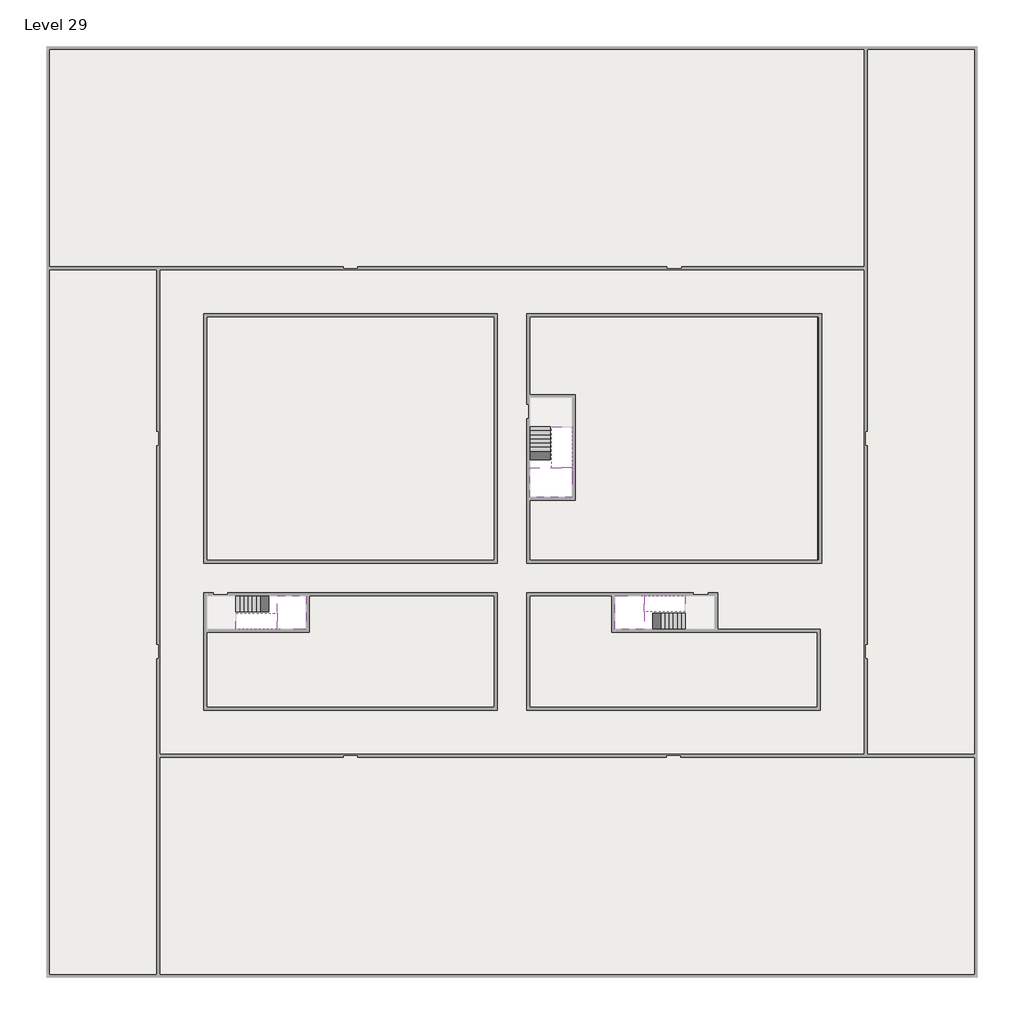
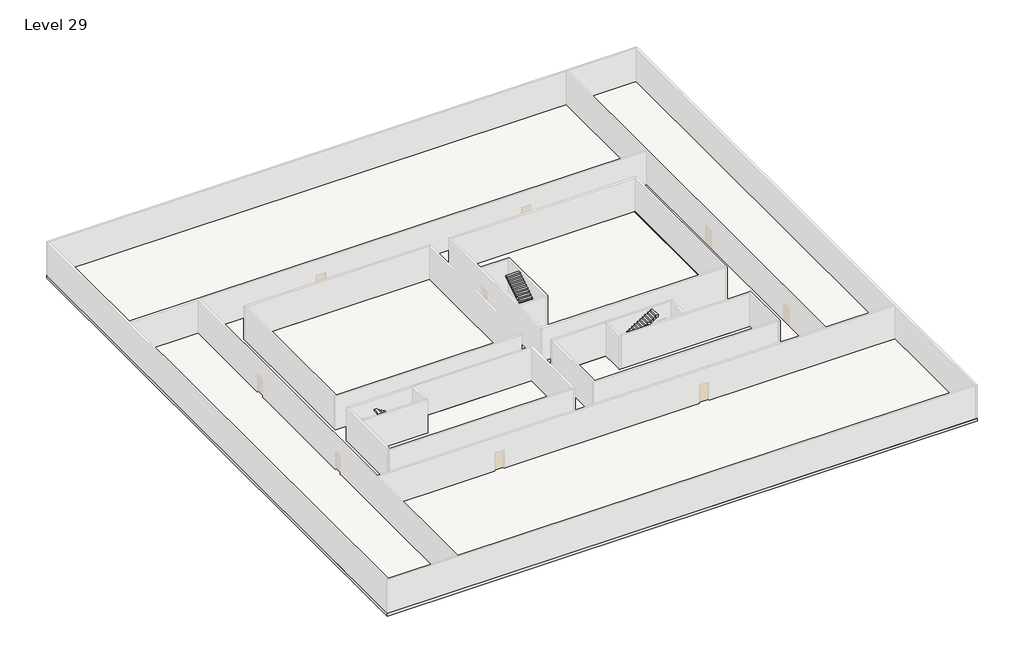
# One storey, part 2 of 2: 6 stair flights, 5 slabs.
"""IFC4 building model written with IfcOpenShell, lengths in millimetres."""

from ifc_helpers import new_model, si_unit, frame, origin, place, context, project, spatial, polyline, outline, extrude, faceted_brep, element, save

model = new_model("IFC4")

# Units and contexts
model_context = context("Model", 3, world=origin())
ifc_project = project(units=[si_unit("LENGTHUNIT", "METRE", prefix="MILLI")], contexts=[model_context])

# Site, building, storey
site = spatial("IfcSite", under=ifc_project)
building = spatial("IfcBuilding", under=site)
storey = spatial("IfcBuildingStorey", under=building, Name="Level 29", Elevation=106400.0)

# Slabs
placement = place(None, origin())
element("IfcSlab", 1, at=placement, inside=storey, context=model_context, shape_type="Brep", body=[
    faceted_brep([(8190.1058784, -42918.09644, 108300.0), (8190.1058784, -44018.09644, 108300.0), (8190.1058784, -44118.09644, 108300.0), (8190.1058784, -45218.09644, 108300.0), (8390.7194421, -45218.09644, 108300.0), (10190.1058784, -45218.09644, 108300.0), (10190.1058784, -42918.09644, 108300.0), (8269.4923146, -42918.09644, 108300.0), (8190.1058784, -42918.09644, 108127.2727273), (8190.1058784, -42918.09644, 107951.0278478), (8190.1058784, -44018.09644, 107951.0278478), (8190.1058784, -44018.09644, 108000.0), (8190.1058784, -44118.09644, 108000.0), (8190.1058784, -44118.09644, 108123.7551205), (8190.1058784, -45218.09644, 108123.7551205), (8390.7194421, -45218.09644, 108000.0), (10190.1058784, -45218.09644, 108000.0), (10190.1058784, -42918.09644, 108000.0), (8269.4923146, -42918.09644, 108000.0), (8390.7194421, -44118.09644, 108000.0), (8269.4923146, -44018.09644, 108000.0)], [[[0, 1, 2, 3, 4, 5, 6, 7]], [[1, 0, 8, 9, 10, 11]], [[2, 1, 11, 12, 13]], [[3, 2, 13, 14]], [[3, 14, 15, 16, 5, 4]], [[6, 5, 16, 17]], [[9, 8, 0, 7, 6, 17, 18]], [[19, 12, 11, 20, 18, 17, 16, 15]], [[12, 19, 13]], [[18, 20, 10, 9]], [[20, 11, 10]], [[19, 15, 14, 13]]]),
])
element("IfcSlab", 2, at=placement, inside=storey, context=model_context, shape_type="Brep", body=[
    faceted_brep([(33190.1058784, -45218.09644, 108300.0), (33190.1058784, -44118.09644, 108300.0), (33190.1058784, -44018.09644, 108300.0), (33190.1058784, -42918.09644, 108300.0), (32989.4923146, -42918.09644, 108300.0), (31190.1058784, -42918.09644, 108300.0), (31190.1058784, -45218.09644, 108300.0), (33110.7194421, -45218.09644, 108300.0), (33190.1058784, -45218.09644, 108127.2727273), (33190.1058784, -45218.09644, 107951.0278478), (33190.1058784, -44118.09644, 107951.0278478), (33190.1058784, -44118.09644, 108000.0), (33190.1058784, -44018.09644, 108000.0), (33190.1058784, -44018.09644, 108123.7551205), (33190.1058784, -42918.09644, 108123.7551205), (32989.4923146, -42918.09644, 108000.0), (31190.1058784, -42918.09644, 108000.0), (31190.1058784, -45218.09644, 108000.0), (33110.7194421, -45218.09644, 108000.0), (32989.4923146, -44018.09644, 108000.0), (33110.7194421, -44118.09644, 108000.0)], [[[0, 1, 2, 3, 4, 5, 6, 7]], [[1, 0, 8, 9, 10, 11]], [[2, 1, 11, 12, 13]], [[3, 2, 13, 14]], [[3, 14, 15, 16, 5, 4]], [[6, 5, 16, 17]], [[9, 8, 0, 7, 6, 17, 18]], [[19, 12, 11, 20, 18, 17, 16, 15]], [[12, 19, 13]], [[18, 20, 10, 9]], [[20, 11, 10]], [[19, 15, 14, 13]]]),
])
element("IfcSlab", 3, at=placement, inside=storey, context=model_context, shape_type="Brep", body=[
    faceted_brep([(26790.1058784, -34218.09644, 108300.0), (25390.1058784, -34218.09644, 108300.0), (25390.1058784, -34297.4828763, 108300.0), (25390.1058784, -36218.09644, 108300.0), (28290.1058784, -36218.09644, 108300.0), (28290.1058784, -34418.7100038, 108300.0), (28290.1058784, -34218.09644, 108300.0), (26890.1058784, -34218.09644, 108300.0), (26790.1058784, -34218.09644, 108000.0), (26790.1058784, -34218.09644, 107951.0278478), (25390.1058784, -34218.09644, 107951.0278478), (25390.1058784, -34218.09644, 108127.2727273), (25390.1058784, -34297.4828763, 108000.0), (25390.1058784, -36218.09644, 108000.0), (28290.1058784, -36218.09644, 108000.0), (28290.1058784, -34418.7100038, 108000.0), (28290.1058784, -34218.09644, 108123.7551205), (26890.1058784, -34218.09644, 108123.7551205), (26890.1058784, -34218.09644, 108000.0), (26890.1058784, -34418.7100038, 108000.0), (26790.1058784, -34297.4828763, 108000.0)], [[[0, 1, 2, 3, 4, 5, 6, 7]], [[1, 0, 8, 9, 10, 11]], [[1, 11, 10, 12, 13, 3, 2]], [[4, 3, 13, 14]], [[4, 14, 15, 16, 6, 5]], [[7, 6, 16, 17]], [[0, 7, 17, 18, 8]], [[18, 19, 15, 14, 13, 12, 20, 8]], [[19, 18, 17]], [[20, 12, 10, 9]], [[8, 20, 9]], [[15, 19, 17, 16]]]),
])
element("IfcSlab", 4, at=placement, inside=storey, context=model_context, shape_type="SweptSolid", body=[
    extrude(outline(polyline([(55890.1058784, -5518.09644), (55890.1058784, -68918.09644), (-7509.8941216, -68918.09644), (-7509.8941216, -5518.09644), (55890.1058784, -5518.09644)]), holes=[polyline([(22990.1058784, -23918.09644), (3390.1058784, -23918.09644), (3390.1058784, -40518.09644), (22990.1058784, -40518.09644), (22990.1058784, -23918.09644)]), polyline([(44990.1058784, -23918.09644), (25390.1058784, -23918.09644), (25390.1058784, -40518.09644), (44990.1058784, -40518.09644), (44990.1058784, -23918.09644)]), polyline([(37990.1058784, -42918.09644), (25390.1058784, -42918.09644), (25390.1058784, -50518.09644), (44990.1058784, -50518.09644), (44990.1058784, -45418.09644), (37990.1058784, -45418.09644), (37990.1058784, -42918.09644)]), polyline([(22990.1058784, -42918.09644), (3390.1058784, -42918.09644), (3390.1058784, -50518.09644), (22990.1058784, -50518.09644), (22990.1058784, -42918.09644)])]), frame((0.0, 0.0, 106100.0), z_axis=(0.0, 0.0, 1.0), x_axis=(1.0, 0.0, 0.0)), (0.0, 0.0, 1.0), 300.0),
])
element("IfcSlab", 5, at=placement, inside=storey, context=model_context, shape_type="SweptSolid", body=[
    extrude(outline(polyline([(22990.1058784, -23918.09644), (22990.1058784, -40518.09644), (3390.1058784, -40518.09644), (3390.1058784, -23918.09644), (22990.1058784, -23918.09644)])), frame((0.0, 0.0, 106100.0), z_axis=(0.0, 0.0, 1.0), x_axis=(1.0, 0.0, 0.0)), (0.0, 0.0, 1.0), 300.0),
    extrude(outline(polyline([(44990.1058784, -23918.09644), (44990.1058784, -40518.09644), (25390.1058784, -40518.09644), (25390.1058784, -36418.09644), (28490.1058784, -36418.09644), (28490.1058784, -29218.09644), (25390.1058784, -29218.09644), (25390.1058784, -23918.09644), (44990.1058784, -23918.09644)])), frame((0.0, 0.0, 106100.0), z_axis=(0.0, 0.0, 1.0), x_axis=(1.0, 0.0, 0.0)), (0.0, 0.0, 1.0), 300.0),
    extrude(outline(polyline([(22990.1058784, -42918.09644), (22990.1058784, -50518.09644), (3390.1058784, -50518.09644), (3390.1058784, -45418.09644), (10390.1058784, -45418.09644), (10390.1058784, -42918.09644), (22990.1058784, -42918.09644)])), frame((0.0, 0.0, 106100.0), z_axis=(0.0, 0.0, 1.0), x_axis=(1.0, 0.0, 0.0)), (0.0, 0.0, 1.0), 300.0),
    extrude(outline(polyline([(30990.1058784, -42918.09644), (30990.1058784, -45418.09644), (44990.1058784, -45418.09644), (44990.1058784, -50518.09644), (25390.1058784, -50518.09644), (25390.1058784, -42918.09644), (30990.1058784, -42918.09644)])), frame((0.0, 0.0, 106100.0), z_axis=(0.0, 0.0, 1.0), x_axis=(1.0, 0.0, 0.0)), (0.0, 0.0, 1.0), 300.0),
])

# Stair flights
element("IfcStairFlight", 6, at=placement, inside=storey, context=model_context, shape_type="Brep", body=[
    faceted_brep([(5670.1058784, -42918.09644, 106572.7272727), (5390.1058784, -42918.09644, 106572.7272727), (5390.1058784, -44018.09644, 106572.7272727), (5670.1058784, -44018.09644, 106572.7272727), (5670.1058784, -42918.09644, 106400.0), (5390.1058784, -42918.09644, 106400.0), (5390.1058784, -44018.09644, 106400.0), (5670.1058784, -44018.09644, 106400.0), (5950.1058784, -42918.09644, 106745.4545455), (5670.1058784, -42918.09644, 106745.4545455), (5670.1058784, -44018.09644, 106745.4545455), (5950.1058784, -44018.09644, 106745.4545455), (5950.1058784, -42918.09644, 106569.209666), (5675.8081041, -42918.09644, 106400.0), (5675.8081041, -44018.09644, 106400.0), (5950.1058784, -44018.09644, 106569.209666), (6230.1058784, -42918.09644, 106918.1818182), (5950.1058784, -42918.09644, 106918.1818182), (5950.1058784, -44018.09644, 106918.1818182), (6230.1058784, -44018.09644, 106918.1818182), (6230.1058784, -42918.09644, 106741.9369387), (6230.1058784, -44018.09644, 106741.9369387), (6510.1058784, -42918.09644, 107090.9090909), (6230.1058784, -42918.09644, 107090.9090909), (6230.1058784, -44018.09644, 107090.9090909), (6510.1058784, -44018.09644, 107090.9090909), (6510.1058784, -42918.09644, 106914.6642114), (6510.1058784, -44018.09644, 106914.6642114), (6790.1058784, -42918.09644, 107263.6363636), (6510.1058784, -42918.09644, 107263.6363636), (6510.1058784, -44018.09644, 107263.6363636), (6790.1058784, -44018.09644, 107263.6363636), (6790.1058784, -42918.09644, 107087.3914841), (6790.1058784, -44018.09644, 107087.3914841), (7070.1058784, -42918.09644, 107436.3636364), (6790.1058784, -42918.09644, 107436.3636364), (6790.1058784, -44018.09644, 107436.3636364), (7070.1058784, -44018.09644, 107436.3636364), (7070.1058784, -42918.09644, 107260.1187569), (7070.1058784, -44018.09644, 107260.1187569), (7350.1058784, -42918.09644, 107609.0909091), (7070.1058784, -42918.09644, 107609.0909091), (7070.1058784, -44018.09644, 107609.0909091), (7350.1058784, -44018.09644, 107609.0909091), (7350.1058784, -42918.09644, 107432.8460296), (7350.1058784, -44018.09644, 107432.8460296), (7630.1058784, -42918.09644, 107781.8181818), (7350.1058784, -42918.09644, 107781.8181818), (7350.1058784, -44018.09644, 107781.8181818), (7630.1058784, -44018.09644, 107781.8181818), (7630.1058784, -42918.09644, 107605.5733023), (7630.1058784, -44018.09644, 107605.5733023), (7910.1058784, -42918.09644, 107954.5454545), (7630.1058784, -42918.09644, 107954.5454545), (7630.1058784, -44018.09644, 107954.5454545), (7910.1058784, -44018.09644, 107954.5454545), (7910.1058784, -42918.09644, 107778.3005751), (7910.1058784, -44018.09644, 107778.3005751), (8190.1058784, -42918.09644, 108127.2727273), (7910.1058784, -42918.09644, 108127.2727273), (7910.1058784, -44018.09644, 108127.2727273), (8190.1058784, -44018.09644, 108127.2727273), (8190.1058784, -42918.09644, 107951.0278478), (8190.1058784, -44018.09644, 107951.0278478), (8190.1058784, -44018.09644, 108000.0)], [[[0, 1, 2, 3]], [[1, 0, 4, 5]], [[2, 1, 5, 6]], [[3, 2, 6, 7]], [[8, 9, 10, 11]], [[4, 0, 9, 8, 12, 13]], [[0, 3, 10, 9]], [[3, 7, 14, 15, 11, 10]], [[16, 17, 18, 19]], [[17, 16, 20, 12, 8]], [[8, 11, 18, 17]], [[19, 18, 11, 15, 21]], [[22, 23, 24, 25]], [[23, 22, 26, 20, 16]], [[16, 19, 24, 23]], [[25, 24, 19, 21, 27]], [[28, 29, 30, 31]], [[29, 28, 32, 26, 22]], [[22, 25, 30, 29]], [[31, 30, 25, 27, 33]], [[34, 35, 36, 37]], [[35, 34, 38, 32, 28]], [[28, 31, 36, 35]], [[37, 36, 31, 33, 39]], [[40, 41, 42, 43]], [[41, 40, 44, 38, 34]], [[34, 37, 42, 41]], [[43, 42, 37, 39, 45]], [[46, 47, 48, 49]], [[47, 46, 50, 44, 40]], [[40, 43, 48, 47]], [[49, 48, 43, 45, 51]], [[52, 53, 54, 55]], [[53, 52, 56, 50, 46]], [[46, 49, 54, 53]], [[55, 54, 49, 51, 57]], [[58, 59, 60, 61]], [[59, 58, 62, 56, 52]], [[52, 55, 60, 59]], [[61, 60, 55, 57, 63, 64]], [[58, 61, 64, 63, 62]], [[5, 4, 13, 14, 7, 6]], [[14, 13, 12, 20, 26, 32, 38, 44, 50, 56, 62, 63, 57, 51, 45, 39, 33, 27, 21, 15]]]),
])
element("IfcStairFlight", 7, at=placement, inside=storey, context=model_context, shape_type="Brep", body=[
    faceted_brep([(7910.1058784, -45218.09644, 108472.7272727), (8190.1058784, -45218.09644, 108472.7272727), (8190.1058784, -44118.09644, 108472.7272727), (7910.1058784, -44118.09644, 108472.7272727), (7910.1058784, -45218.09644, 108296.4823932), (8190.1058784, -45218.09644, 108123.7551205), (8190.1058784, -45218.09644, 108300.0), (8190.1058784, -44118.09644, 108123.7551205), (7910.1058784, -44118.09644, 108296.4823932), (7630.1058784, -45218.09644, 108645.4545455), (7910.1058784, -45218.09644, 108645.4545455), (7910.1058784, -44118.09644, 108645.4545455), (7630.1058784, -44118.09644, 108645.4545455), (7630.1058784, -45218.09644, 108469.209666), (7630.1058784, -44118.09644, 108469.209666), (7350.1058784, -45218.09644, 108818.1818182), (7630.1058784, -45218.09644, 108818.1818182), (7630.1058784, -44118.09644, 108818.1818182), (7350.1058784, -44118.09644, 108818.1818182), (7350.1058784, -45218.09644, 108641.9369387), (7350.1058784, -44118.09644, 108641.9369387), (7070.1058784, -45218.09644, 108990.9090909), (7350.1058784, -45218.09644, 108990.9090909), (7350.1058784, -44118.09644, 108990.9090909), (7070.1058784, -44118.09644, 108990.9090909), (7070.1058784, -45218.09644, 108814.6642114), (7070.1058784, -44118.09644, 108814.6642114), (6790.1058784, -45218.09644, 109163.6363636), (7070.1058784, -45218.09644, 109163.6363636), (7070.1058784, -44118.09644, 109163.6363636), (6790.1058784, -44118.09644, 109163.6363636), (6790.1058784, -45218.09644, 108987.3914841), (6790.1058784, -44118.09644, 108987.3914841), (6510.1058784, -45218.09644, 109336.3636364), (6790.1058784, -45218.09644, 109336.3636364), (6790.1058784, -44118.09644, 109336.3636364), (6510.1058784, -44118.09644, 109336.3636364), (6510.1058784, -45218.09644, 109160.1187569), (6510.1058784, -44118.09644, 109160.1187569), (6230.1058784, -45218.09644, 109509.0909091), (6510.1058784, -45218.09644, 109509.0909091), (6510.1058784, -44118.09644, 109509.0909091), (6230.1058784, -44118.09644, 109509.0909091), (6230.1058784, -45218.09644, 109332.8460296), (6230.1058784, -44118.09644, 109332.8460296), (5950.1058784, -45218.09644, 109681.8181818), (6230.1058784, -45218.09644, 109681.8181818), (6230.1058784, -44118.09644, 109681.8181818), (5950.1058784, -44118.09644, 109681.8181818), (5950.1058784, -45218.09644, 109505.5733023), (5950.1058784, -44118.09644, 109505.5733023), (5670.1058784, -45218.09644, 109854.5454545), (5950.1058784, -45218.09644, 109854.5454545), (5950.1058784, -44118.09644, 109854.5454545), (5670.1058784, -44118.09644, 109854.5454545), (5670.1058784, -45218.09644, 109678.3005751), (5670.1058784, -44118.09644, 109678.3005751), (5390.1058784, -45218.09644, 110027.2727273), (5670.1058784, -45218.09644, 110027.2727273), (5670.1058784, -44118.09644, 110027.2727273), (5390.1058784, -44118.09644, 110027.2727273), (5390.1058784, -45218.09644, 109851.0278478), (5390.1058784, -44118.09644, 109851.0278478)], [[[0, 1, 2, 3]], [[1, 0, 4, 5, 6]], [[2, 1, 6, 5, 7]], [[3, 2, 7, 8]], [[9, 10, 11, 12]], [[10, 9, 13, 4, 0]], [[11, 10, 0, 3]], [[12, 11, 3, 8, 14]], [[15, 16, 17, 18]], [[16, 15, 19, 13, 9]], [[17, 16, 9, 12]], [[18, 17, 12, 14, 20]], [[21, 22, 23, 24]], [[22, 21, 25, 19, 15]], [[23, 22, 15, 18]], [[24, 23, 18, 20, 26]], [[27, 28, 29, 30]], [[28, 27, 31, 25, 21]], [[29, 28, 21, 24]], [[30, 29, 24, 26, 32]], [[33, 34, 35, 36]], [[34, 33, 37, 31, 27]], [[35, 34, 27, 30]], [[36, 35, 30, 32, 38]], [[39, 40, 41, 42]], [[40, 39, 43, 37, 33]], [[41, 40, 33, 36]], [[42, 41, 36, 38, 44]], [[45, 46, 47, 48]], [[46, 45, 49, 43, 39]], [[47, 46, 39, 42]], [[48, 47, 42, 44, 50]], [[51, 52, 53, 54]], [[52, 51, 55, 49, 45]], [[53, 52, 45, 48]], [[54, 53, 48, 50, 56]], [[57, 58, 59, 60]], [[58, 57, 61, 55, 51]], [[59, 58, 51, 54]], [[60, 59, 54, 56, 62]], [[57, 60, 62, 61]], [[5, 4, 13, 19, 25, 31, 37, 43, 49, 55, 61, 62, 56, 50, 44, 38, 32, 26, 20, 14, 8, 7]]]),
])
element("IfcStairFlight", 8, at=placement, inside=storey, context=model_context, shape_type="Brep", body=[
    faceted_brep([(35710.1058784, -45218.09644, 106572.7272727), (35990.1058784, -45218.09644, 106572.7272727), (35990.1058784, -44118.09644, 106572.7272727), (35710.1058784, -44118.09644, 106572.7272727), (35710.1058784, -45218.09644, 106400.0), (35990.1058784, -45218.09644, 106400.0), (35990.1058784, -44118.09644, 106400.0), (35710.1058784, -44118.09644, 106400.0), (35430.1058784, -45218.09644, 106745.4545455), (35710.1058784, -45218.09644, 106745.4545455), (35710.1058784, -44118.09644, 106745.4545455), (35430.1058784, -44118.09644, 106745.4545455), (35430.1058784, -45218.09644, 106569.209666), (35704.4036527, -45218.09644, 106400.0), (35704.4036527, -44118.09644, 106400.0), (35430.1058784, -44118.09644, 106569.209666), (35150.1058784, -45218.09644, 106918.1818182), (35430.1058784, -45218.09644, 106918.1818182), (35430.1058784, -44118.09644, 106918.1818182), (35150.1058784, -44118.09644, 106918.1818182), (35150.1058784, -45218.09644, 106741.9369387), (35150.1058784, -44118.09644, 106741.9369387), (34870.1058784, -45218.09644, 107090.9090909), (35150.1058784, -45218.09644, 107090.9090909), (35150.1058784, -44118.09644, 107090.9090909), (34870.1058784, -44118.09644, 107090.9090909), (34870.1058784, -45218.09644, 106914.6642114), (34870.1058784, -44118.09644, 106914.6642114), (34590.1058784, -45218.09644, 107263.6363636), (34870.1058784, -45218.09644, 107263.6363636), (34870.1058784, -44118.09644, 107263.6363636), (34590.1058784, -44118.09644, 107263.6363636), (34590.1058784, -45218.09644, 107087.3914841), (34590.1058784, -44118.09644, 107087.3914841), (34310.1058784, -45218.09644, 107436.3636364), (34590.1058784, -45218.09644, 107436.3636364), (34590.1058784, -44118.09644, 107436.3636364), (34310.1058784, -44118.09644, 107436.3636364), (34310.1058784, -45218.09644, 107260.1187569), (34310.1058784, -44118.09644, 107260.1187569), (34030.1058784, -45218.09644, 107609.0909091), (34310.1058784, -45218.09644, 107609.0909091), (34310.1058784, -44118.09644, 107609.0909091), (34030.1058784, -44118.09644, 107609.0909091), (34030.1058784, -45218.09644, 107432.8460296), (34030.1058784, -44118.09644, 107432.8460296), (33750.1058784, -45218.09644, 107781.8181818), (34030.1058784, -45218.09644, 107781.8181818), (34030.1058784, -44118.09644, 107781.8181818), (33750.1058784, -44118.09644, 107781.8181818), (33750.1058784, -45218.09644, 107605.5733023), (33750.1058784, -44118.09644, 107605.5733023), (33470.1058784, -45218.09644, 107954.5454545), (33750.1058784, -45218.09644, 107954.5454545), (33750.1058784, -44118.09644, 107954.5454545), (33470.1058784, -44118.09644, 107954.5454545), (33470.1058784, -45218.09644, 107778.3005751), (33470.1058784, -44118.09644, 107778.3005751), (33190.1058784, -45218.09644, 108127.2727273), (33470.1058784, -45218.09644, 108127.2727273), (33470.1058784, -44118.09644, 108127.2727273), (33190.1058784, -44118.09644, 108127.2727273), (33190.1058784, -45218.09644, 107951.0278478), (33190.1058784, -44118.09644, 107951.0278478), (33190.1058784, -44118.09644, 108000.0)], [[[0, 1, 2, 3]], [[1, 0, 4, 5]], [[2, 1, 5, 6]], [[3, 2, 6, 7]], [[8, 9, 10, 11]], [[4, 0, 9, 8, 12, 13]], [[0, 3, 10, 9]], [[3, 7, 14, 15, 11, 10]], [[16, 17, 18, 19]], [[17, 16, 20, 12, 8]], [[8, 11, 18, 17]], [[19, 18, 11, 15, 21]], [[22, 23, 24, 25]], [[23, 22, 26, 20, 16]], [[16, 19, 24, 23]], [[25, 24, 19, 21, 27]], [[28, 29, 30, 31]], [[29, 28, 32, 26, 22]], [[22, 25, 30, 29]], [[31, 30, 25, 27, 33]], [[34, 35, 36, 37]], [[35, 34, 38, 32, 28]], [[28, 31, 36, 35]], [[37, 36, 31, 33, 39]], [[40, 41, 42, 43]], [[41, 40, 44, 38, 34]], [[34, 37, 42, 41]], [[43, 42, 37, 39, 45]], [[46, 47, 48, 49]], [[47, 46, 50, 44, 40]], [[40, 43, 48, 47]], [[49, 48, 43, 45, 51]], [[52, 53, 54, 55]], [[53, 52, 56, 50, 46]], [[46, 49, 54, 53]], [[55, 54, 49, 51, 57]], [[58, 59, 60, 61]], [[59, 58, 62, 56, 52]], [[52, 55, 60, 59]], [[61, 60, 55, 57, 63, 64]], [[58, 61, 64, 63, 62]], [[5, 4, 13, 14, 7, 6]], [[14, 13, 12, 20, 26, 32, 38, 44, 50, 56, 62, 63, 57, 51, 45, 39, 33, 27, 21, 15]]]),
])
element("IfcStairFlight", 9, at=placement, inside=storey, context=model_context, shape_type="Brep", body=[
    faceted_brep([(33470.1058784, -42918.09644, 108472.7272727), (33190.1058784, -42918.09644, 108472.7272727), (33190.1058784, -44018.09644, 108472.7272727), (33470.1058784, -44018.09644, 108472.7272727), (33470.1058784, -42918.09644, 108296.4823932), (33190.1058784, -42918.09644, 108123.7551205), (33190.1058784, -42918.09644, 108300.0), (33190.1058784, -44018.09644, 108123.7551205), (33470.1058784, -44018.09644, 108296.4823932), (33750.1058784, -42918.09644, 108645.4545455), (33470.1058784, -42918.09644, 108645.4545455), (33470.1058784, -44018.09644, 108645.4545455), (33750.1058784, -44018.09644, 108645.4545455), (33750.1058784, -42918.09644, 108469.209666), (33750.1058784, -44018.09644, 108469.209666), (34030.1058784, -42918.09644, 108818.1818182), (33750.1058784, -42918.09644, 108818.1818182), (33750.1058784, -44018.09644, 108818.1818182), (34030.1058784, -44018.09644, 108818.1818182), (34030.1058784, -42918.09644, 108641.9369387), (34030.1058784, -44018.09644, 108641.9369387), (34310.1058784, -42918.09644, 108990.9090909), (34030.1058784, -42918.09644, 108990.9090909), (34030.1058784, -44018.09644, 108990.9090909), (34310.1058784, -44018.09644, 108990.9090909), (34310.1058784, -42918.09644, 108814.6642114), (34310.1058784, -44018.09644, 108814.6642114), (34590.1058784, -42918.09644, 109163.6363636), (34310.1058784, -42918.09644, 109163.6363636), (34310.1058784, -44018.09644, 109163.6363636), (34590.1058784, -44018.09644, 109163.6363636), (34590.1058784, -42918.09644, 108987.3914841), (34590.1058784, -44018.09644, 108987.3914841), (34870.1058784, -42918.09644, 109336.3636364), (34590.1058784, -42918.09644, 109336.3636364), (34590.1058784, -44018.09644, 109336.3636364), (34870.1058784, -44018.09644, 109336.3636364), (34870.1058784, -42918.09644, 109160.1187569), (34870.1058784, -44018.09644, 109160.1187569), (35150.1058784, -42918.09644, 109509.0909091), (34870.1058784, -42918.09644, 109509.0909091), (34870.1058784, -44018.09644, 109509.0909091), (35150.1058784, -44018.09644, 109509.0909091), (35150.1058784, -42918.09644, 109332.8460296), (35150.1058784, -44018.09644, 109332.8460296), (35430.1058784, -42918.09644, 109681.8181818), (35150.1058784, -42918.09644, 109681.8181818), (35150.1058784, -44018.09644, 109681.8181818), (35430.1058784, -44018.09644, 109681.8181818), (35430.1058784, -42918.09644, 109505.5733023), (35430.1058784, -44018.09644, 109505.5733023), (35710.1058784, -42918.09644, 109854.5454545), (35430.1058784, -42918.09644, 109854.5454545), (35430.1058784, -44018.09644, 109854.5454545), (35710.1058784, -44018.09644, 109854.5454545), (35710.1058784, -42918.09644, 109678.3005751), (35710.1058784, -44018.09644, 109678.3005751), (35990.1058784, -42918.09644, 110027.2727273), (35710.1058784, -42918.09644, 110027.2727273), (35710.1058784, -44018.09644, 110027.2727273), (35990.1058784, -44018.09644, 110027.2727273), (35990.1058784, -42918.09644, 109851.0278478), (35990.1058784, -44018.09644, 109851.0278478)], [[[0, 1, 2, 3]], [[1, 0, 4, 5, 6]], [[2, 1, 6, 5, 7]], [[3, 2, 7, 8]], [[9, 10, 11, 12]], [[10, 9, 13, 4, 0]], [[11, 10, 0, 3]], [[12, 11, 3, 8, 14]], [[15, 16, 17, 18]], [[16, 15, 19, 13, 9]], [[17, 16, 9, 12]], [[18, 17, 12, 14, 20]], [[21, 22, 23, 24]], [[22, 21, 25, 19, 15]], [[23, 22, 15, 18]], [[24, 23, 18, 20, 26]], [[27, 28, 29, 30]], [[28, 27, 31, 25, 21]], [[29, 28, 21, 24]], [[30, 29, 24, 26, 32]], [[33, 34, 35, 36]], [[34, 33, 37, 31, 27]], [[35, 34, 27, 30]], [[36, 35, 30, 32, 38]], [[39, 40, 41, 42]], [[40, 39, 43, 37, 33]], [[41, 40, 33, 36]], [[42, 41, 36, 38, 44]], [[45, 46, 47, 48]], [[46, 45, 49, 43, 39]], [[47, 46, 39, 42]], [[48, 47, 42, 44, 50]], [[51, 52, 53, 54]], [[52, 51, 55, 49, 45]], [[53, 52, 45, 48]], [[54, 53, 48, 50, 56]], [[57, 58, 59, 60]], [[58, 57, 61, 55, 51]], [[59, 58, 51, 54]], [[60, 59, 54, 56, 62]], [[57, 60, 62, 61]], [[5, 4, 13, 19, 25, 31, 37, 43, 49, 55, 61, 62, 56, 50, 44, 38, 32, 26, 20, 14, 8, 7]]]),
])
element("IfcStairFlight", 10, at=placement, inside=storey, context=model_context, shape_type="Brep", body=[
    faceted_brep([(26790.1058784, -31698.09644, 106572.7272727), (26790.1058784, -31418.09644, 106572.7272727), (25390.1058784, -31418.09644, 106572.7272727), (25390.1058784, -31698.09644, 106572.7272727), (26790.1058784, -31698.09644, 106400.0), (26790.1058784, -31418.09644, 106400.0), (25390.1058784, -31418.09644, 106400.0), (25390.1058784, -31698.09644, 106400.0), (26790.1058784, -31978.09644, 106745.4545455), (26790.1058784, -31698.09644, 106745.4545455), (25390.1058784, -31698.09644, 106745.4545455), (25390.1058784, -31978.09644, 106745.4545455), (26790.1058784, -31978.09644, 106569.209666), (26790.1058784, -31703.7986657, 106400.0), (25390.1058784, -31703.7986657, 106400.0), (25390.1058784, -31978.09644, 106569.209666), (26790.1058784, -32258.09644, 106918.1818182), (26790.1058784, -31978.09644, 106918.1818182), (25390.1058784, -31978.09644, 106918.1818182), (25390.1058784, -32258.09644, 106918.1818182), (26790.1058784, -32258.09644, 106741.9369387), (25390.1058784, -32258.09644, 106741.9369387), (26790.1058784, -32538.09644, 107090.9090909), (26790.1058784, -32258.09644, 107090.9090909), (25390.1058784, -32258.09644, 107090.9090909), (25390.1058784, -32538.09644, 107090.9090909), (26790.1058784, -32538.09644, 106914.6642114), (25390.1058784, -32538.09644, 106914.6642114), (26790.1058784, -32818.09644, 107263.6363636), (26790.1058784, -32538.09644, 107263.6363636), (25390.1058784, -32538.09644, 107263.6363636), (25390.1058784, -32818.09644, 107263.6363636), (26790.1058784, -32818.09644, 107087.3914841), (25390.1058784, -32818.09644, 107087.3914841), (26790.1058784, -33098.09644, 107436.3636364), (26790.1058784, -32818.09644, 107436.3636364), (25390.1058784, -32818.09644, 107436.3636364), (25390.1058784, -33098.09644, 107436.3636364), (26790.1058784, -33098.09644, 107260.1187569), (25390.1058784, -33098.09644, 107260.1187569), (26790.1058784, -33378.09644, 107609.0909091), (26790.1058784, -33098.09644, 107609.0909091), (25390.1058784, -33098.09644, 107609.0909091), (25390.1058784, -33378.09644, 107609.0909091), (26790.1058784, -33378.09644, 107432.8460296), (25390.1058784, -33378.09644, 107432.8460296), (26790.1058784, -33658.09644, 107781.8181818), (26790.1058784, -33378.09644, 107781.8181818), (25390.1058784, -33378.09644, 107781.8181818), (25390.1058784, -33658.09644, 107781.8181818), (26790.1058784, -33658.09644, 107605.5733023), (25390.1058784, -33658.09644, 107605.5733023), (26790.1058784, -33938.09644, 107954.5454545), (26790.1058784, -33658.09644, 107954.5454545), (25390.1058784, -33658.09644, 107954.5454545), (25390.1058784, -33938.09644, 107954.5454545), (26790.1058784, -33938.09644, 107778.3005751), (25390.1058784, -33938.09644, 107778.3005751), (26790.1058784, -34218.09644, 108127.2727273), (26790.1058784, -33938.09644, 108127.2727273), (25390.1058784, -33938.09644, 108127.2727273), (25390.1058784, -34218.09644, 108127.2727273), (26790.1058784, -34218.09644, 108000.0), (26790.1058784, -34218.09644, 107951.0278478), (25390.1058784, -34218.09644, 107951.0278478)], [[[0, 1, 2, 3]], [[1, 0, 4, 5]], [[2, 1, 5, 6]], [[3, 2, 6, 7]], [[8, 9, 10, 11]], [[4, 0, 9, 8, 12, 13]], [[0, 3, 10, 9]], [[3, 7, 14, 15, 11, 10]], [[16, 17, 18, 19]], [[17, 16, 20, 12, 8]], [[8, 11, 18, 17]], [[19, 18, 11, 15, 21]], [[22, 23, 24, 25]], [[23, 22, 26, 20, 16]], [[16, 19, 24, 23]], [[25, 24, 19, 21, 27]], [[28, 29, 30, 31]], [[29, 28, 32, 26, 22]], [[22, 25, 30, 29]], [[31, 30, 25, 27, 33]], [[34, 35, 36, 37]], [[35, 34, 38, 32, 28]], [[28, 31, 36, 35]], [[37, 36, 31, 33, 39]], [[40, 41, 42, 43]], [[41, 40, 44, 38, 34]], [[34, 37, 42, 41]], [[43, 42, 37, 39, 45]], [[46, 47, 48, 49]], [[47, 46, 50, 44, 40]], [[40, 43, 48, 47]], [[49, 48, 43, 45, 51]], [[52, 53, 54, 55]], [[53, 52, 56, 50, 46]], [[46, 49, 54, 53]], [[55, 54, 49, 51, 57]], [[58, 59, 60, 61]], [[59, 58, 62, 63, 56, 52]], [[52, 55, 60, 59]], [[61, 60, 55, 57, 64]], [[58, 61, 64, 63, 62]], [[5, 4, 13, 14, 7, 6]], [[14, 13, 12, 20, 26, 32, 38, 44, 50, 56, 63, 64, 57, 51, 45, 39, 33, 27, 21, 15]]]),
])
element("IfcStairFlight", 11, at=placement, inside=storey, context=model_context, shape_type="Brep", body=[
    faceted_brep([(26890.1058784, -33938.09644, 108472.7272727), (26890.1058784, -34218.09644, 108472.7272727), (28290.1058784, -34218.09644, 108472.7272727), (28290.1058784, -33938.09644, 108472.7272727), (26890.1058784, -33938.09644, 108296.4823932), (26890.1058784, -34218.09644, 108123.7551205), (28290.1058784, -34218.09644, 108123.7551205), (28290.1058784, -34218.09644, 108300.0), (28290.1058784, -33938.09644, 108296.4823932), (26890.1058784, -33658.09644, 108645.4545455), (26890.1058784, -33938.09644, 108645.4545455), (28290.1058784, -33938.09644, 108645.4545455), (28290.1058784, -33658.09644, 108645.4545455), (26890.1058784, -33658.09644, 108469.209666), (28290.1058784, -33658.09644, 108469.209666), (26890.1058784, -33378.09644, 108818.1818182), (26890.1058784, -33658.09644, 108818.1818182), (28290.1058784, -33658.09644, 108818.1818182), (28290.1058784, -33378.09644, 108818.1818182), (26890.1058784, -33378.09644, 108641.9369387), (28290.1058784, -33378.09644, 108641.9369387), (26890.1058784, -33098.09644, 108990.9090909), (26890.1058784, -33378.09644, 108990.9090909), (28290.1058784, -33378.09644, 108990.9090909), (28290.1058784, -33098.09644, 108990.9090909), (26890.1058784, -33098.09644, 108814.6642114), (28290.1058784, -33098.09644, 108814.6642114), (26890.1058784, -32818.09644, 109163.6363636), (26890.1058784, -33098.09644, 109163.6363636), (28290.1058784, -33098.09644, 109163.6363636), (28290.1058784, -32818.09644, 109163.6363636), (26890.1058784, -32818.09644, 108987.3914841), (28290.1058784, -32818.09644, 108987.3914841), (26890.1058784, -32538.09644, 109336.3636364), (26890.1058784, -32818.09644, 109336.3636364), (28290.1058784, -32818.09644, 109336.3636364), (28290.1058784, -32538.09644, 109336.3636364), (26890.1058784, -32538.09644, 109160.1187569), (28290.1058784, -32538.09644, 109160.1187569), (26890.1058784, -32258.09644, 109509.0909091), (26890.1058784, -32538.09644, 109509.0909091), (28290.1058784, -32538.09644, 109509.0909091), (28290.1058784, -32258.09644, 109509.0909091), (26890.1058784, -32258.09644, 109332.8460296), (28290.1058784, -32258.09644, 109332.8460296), (26890.1058784, -31978.09644, 109681.8181818), (26890.1058784, -32258.09644, 109681.8181818), (28290.1058784, -32258.09644, 109681.8181818), (28290.1058784, -31978.09644, 109681.8181818), (26890.1058784, -31978.09644, 109505.5733023), (28290.1058784, -31978.09644, 109505.5733023), (26890.1058784, -31698.09644, 109854.5454545), (26890.1058784, -31978.09644, 109854.5454545), (28290.1058784, -31978.09644, 109854.5454545), (28290.1058784, -31698.09644, 109854.5454545), (26890.1058784, -31698.09644, 109678.3005751), (28290.1058784, -31698.09644, 109678.3005751), (26890.1058784, -31418.09644, 110027.2727273), (26890.1058784, -31698.09644, 110027.2727273), (28290.1058784, -31698.09644, 110027.2727273), (28290.1058784, -31418.09644, 110027.2727273), (26890.1058784, -31418.09644, 109851.0278478), (28290.1058784, -31418.09644, 109851.0278478)], [[[0, 1, 2, 3]], [[1, 0, 4, 5]], [[2, 1, 5, 6, 7]], [[3, 2, 7, 6, 8]], [[9, 10, 11, 12]], [[10, 9, 13, 4, 0]], [[11, 10, 0, 3]], [[12, 11, 3, 8, 14]], [[15, 16, 17, 18]], [[16, 15, 19, 13, 9]], [[17, 16, 9, 12]], [[18, 17, 12, 14, 20]], [[21, 22, 23, 24]], [[22, 21, 25, 19, 15]], [[23, 22, 15, 18]], [[24, 23, 18, 20, 26]], [[27, 28, 29, 30]], [[28, 27, 31, 25, 21]], [[29, 28, 21, 24]], [[30, 29, 24, 26, 32]], [[33, 34, 35, 36]], [[34, 33, 37, 31, 27]], [[35, 34, 27, 30]], [[36, 35, 30, 32, 38]], [[39, 40, 41, 42]], [[40, 39, 43, 37, 33]], [[41, 40, 33, 36]], [[42, 41, 36, 38, 44]], [[45, 46, 47, 48]], [[46, 45, 49, 43, 39]], [[47, 46, 39, 42]], [[48, 47, 42, 44, 50]], [[51, 52, 53, 54]], [[52, 51, 55, 49, 45]], [[53, 52, 45, 48]], [[54, 53, 48, 50, 56]], [[57, 58, 59, 60]], [[58, 57, 61, 55, 51]], [[59, 58, 51, 54]], [[60, 59, 54, 56, 62]], [[57, 60, 62, 61]], [[5, 4, 13, 19, 25, 31, 37, 43, 49, 55, 61, 62, 56, 50, 44, 38, 32, 26, 20, 14, 8, 6]]]),
])

save(model, "model.ifc")
